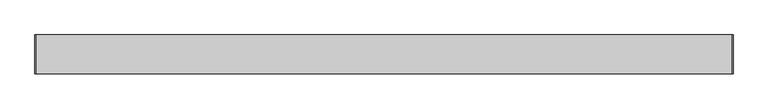
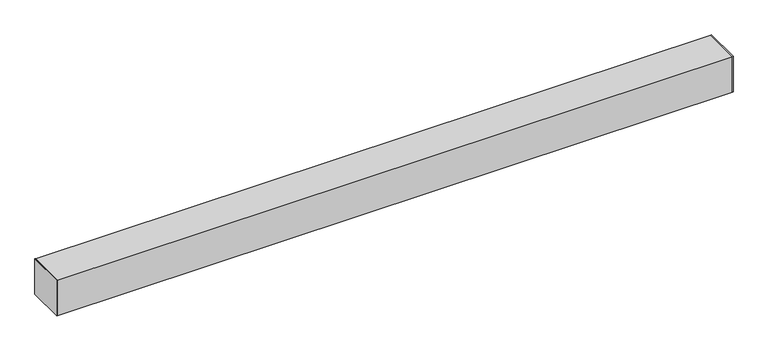
"""IFC4 building model written with IfcOpenShell, lengths in millimetres: proxy geometry."""

from ifc_helpers import new_model, si_unit, frame, origin, origin_with_axes, place, context, project, spatial, polyline, outline, extrude, source, transform, mapped, element, save


def generic_models_67ed166c(model_context):
    return source(origin(), model_context, "Body", "SweptSolid", [
        extrude(outline(polyline([(0.0, -50.8), (0.0, 50.8), (1.651, 50.8), (1.651, -50.8), (0.0, -50.8)])), origin_with_axes(), (0.0, 0.0, 1.0), 101.32),
        extrude(outline(polyline([(1828.8, -50.8), (1827.149, -50.8), (1827.149, 50.8), (1828.8, 50.8), (1828.8, -50.8)])), origin_with_axes(), (0.0, 0.0, 1.0), 101.32),
        extrude(outline(polyline([(-50.8, 0.0), (-50.8, 101.32), (50.8, 101.32), (50.8, 0.0), (-50.8, 0.0)]), holes=[polyline([(48.85, 1.65), (48.85, 99.67), (-48.85, 99.67), (-48.85, 1.65), (48.85, 1.65)])]), frame((1.651, 0.0, 0.0), z_axis=(1.0, 0.0, 0.0), x_axis=(0.0, 1.0, 0.0)), (0.0, 0.0, 1.0), 1825.498),
    ])


if __name__ == "__main__":
    model = new_model("IFC4")
    model_context = context("Model", 3, world=origin())
    ifc_project = project(units=[si_unit("LENGTHUNIT", "METRE", prefix="MILLI")], contexts=[model_context])
    site = spatial("IfcSite", under=ifc_project)
    building = spatial("IfcBuilding", under=site)
    placement = place(None, origin())
    generic_models_shape = generic_models_67ed166c(model_context)
    element("IfcBuildingElementProxy", 1, Name="Generic Models", at=placement, inside=building, context=model_context, shape_type="MappedRepresentation", body=[
        mapped(generic_models_shape, transform((0.0, 0.0, 0.0), x_axis=(1.0, 0.0, 0.0), y_axis=(0.0, 1.0, 0.0), z_axis=(0.0, 0.0, 1.0))),
    ])
    save(model, "model.ifc")
